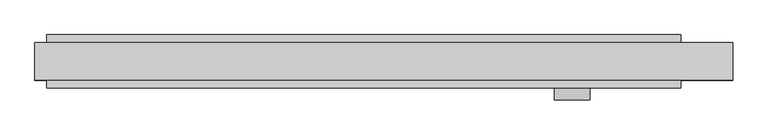
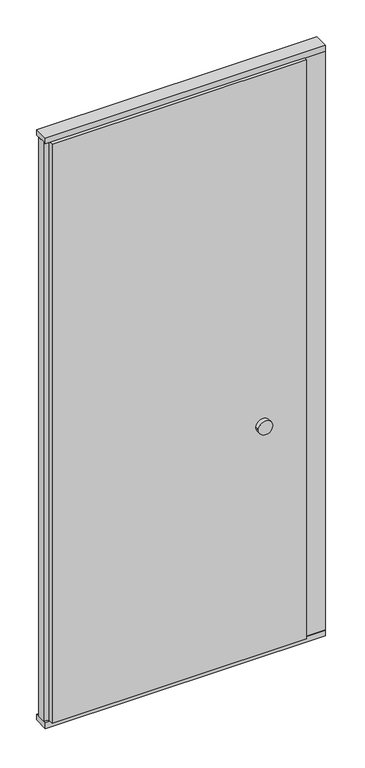
"""IFC4 building model written with IfcOpenShell, lengths in millimetres: plate geometry."""

import ifcopenshell
import ifcopenshell.guid

model = None  # the IFC model being written
_history = None  # IfcOwnerHistory: only IFC2X3 demands one
_inside = {}  # id of a spatial element -> (the spatial element, [elements in it])
_under = {}  # id of a project, library or spatial element -> (it, [spatial elements below it])
_declared = {}  # id of a project -> (the project, [libraries it declares])
_typed = {}  # id of a type object -> (the type object, [elements of that type])
_made_of = {}  # id of a material, layer set ... -> (it, [elements and type objects made of it])


def new_model(schema):
    """Start an empty IFC model of exactly this schema.

    Asked for "IFC4X3", IfcOpenShell would pick the latest addendum, in which some entities
    have other attributes; the version numbers below select the first issue.
    IFC2X3 requires an IfcOwnerHistory on every rooted entity: one is made here for all.
    """
    global model, _history
    if schema == "IFC4X3":
        model = ifcopenshell.file(schema_version=(4, 3, 0, 0))
    else:
        model = ifcopenshell.file(schema=schema)
    _inside.clear()
    _under.clear()
    _declared.clear()
    _typed.clear()
    _made_of.clear()
    _history = None
    if model.schema == "IFC2X3":
        org = make("IfcOrganization", Name="unknown")
        user = make(
            "IfcPersonAndOrganization",
            ThePerson=make("IfcPerson", FamilyName="unknown"),
            TheOrganization=org,
        )
        app = make(
            "IfcApplication",
            ApplicationDeveloper=org,
            Version="unknown",
            ApplicationFullName="unknown",
            ApplicationIdentifier="unknown",
        )
        _history = make(
            "IfcOwnerHistory",
            OwningUser=user,
            OwningApplication=app,
            ChangeAction="ADDED",
            CreationDate=0,
        )
    return model


def make(cls, **values):
    """One entity of the class cls with the attributes given. An attribute that is None is left unset."""
    return model.create_entity(
        cls, **{name: value for name, value in values.items() if value is not None}
    )


def rooted(cls, **values):
    """An entity with a GlobalId (a new one), such as an element, a storey or a relation."""
    return make(cls, GlobalId=ifcopenshell.guid.new(), OwnerHistory=_history, **values)


def si_unit(unit_type, name, prefix=None):
    """IfcSIUnit, for example si_unit("LENGTHUNIT", "METRE", prefix="MILLI")."""
    return make("IfcSIUnit", UnitType=unit_type, Prefix=prefix, Name=name)


def assignment(units):
    """IfcUnitAssignment: the units of a project."""
    return None if units is None else make("IfcUnitAssignment", Units=units)


def point(xyz):
    """IfcCartesianPoint."""
    return None if xyz is None else make("IfcCartesianPoint", Coordinates=xyz)


def direction(xyz):
    """IfcDirection."""
    return None if xyz is None else make("IfcDirection", DirectionRatios=xyz)


def frame(location, z_axis=None, x_axis=None):
    """IfcAxis2Placement3D, a coordinate frame: its origin and axes. An axis left out is left unset."""
    return make(
        "IfcAxis2Placement3D",
        Location=point(location),
        Axis=direction(z_axis),
        RefDirection=direction(x_axis),
    )


def frame_2d(location, x_axis=None):
    """IfcAxis2Placement2D, a coordinate frame in the plane: its origin and x axis."""
    return make(
        "IfcAxis2Placement2D", Location=point(location), RefDirection=direction(x_axis)
    )


def origin():
    """The frame at (0, 0, 0) with its axes left unset."""
    return frame((0.0, 0.0, 0.0))


def origin_with_axes():
    """The frame at (0, 0, 0) with the z axis (0, 0, 1) and the x axis (1, 0, 0) written out."""
    return frame((0.0, 0.0, 0.0), z_axis=(0.0, 0.0, 1.0), x_axis=(1.0, 0.0, 0.0))


def place(relative_to, where):
    """IfcLocalPlacement: puts the frame where relative to a parent placement (None: the world)."""
    return make(
        "IfcLocalPlacement", PlacementRelTo=relative_to, RelativePlacement=where
    )


def context(
    kind, dimensions, precision=None, world=None, true_north=None, identifier=None
):
    """IfcGeometricRepresentationContext, for example the 3D "Model" context."""
    return make(
        "IfcGeometricRepresentationContext",
        ContextIdentifier=identifier,
        ContextType=kind,
        CoordinateSpaceDimension=dimensions,
        Precision=precision,
        WorldCoordinateSystem=world,
        TrueNorth=true_north,
    )


def project(units=None, contexts=None):
    """IfcProject with its units and contexts."""
    return rooted(
        "IfcProject",
        Name="project",
        RepresentationContexts=contexts,
        UnitsInContext=assignment(units),
    )


def spatial(cls, under=None, at=None, **own):
    """A site, building, storey or space (cls), placed at a placement, below another one or the project."""
    s = rooted(cls, ObjectPlacement=at, **own)
    if under is not None:
        _under.setdefault(under.id(), (under, []))[1].append(s)
    return s


def polyline(points):
    """IfcPolyline through the points."""
    return make("IfcPolyline", Points=[point(p) for p in points])


def circle_curve(where, radius):
    """IfcCircle in the frame where."""
    return make("IfcCircle", Position=where, Radius=radius)


def trimmed(basis, trim1, trim2, sense, master):
    """IfcTrimmedCurve: the piece of a basis curve between two trims."""
    return make(
        "IfcTrimmedCurve",
        BasisCurve=basis,
        Trim1=trim1,
        Trim2=trim2,
        SenseAgreement=sense,
        MasterRepresentation=master,
    )


def segment(curve, same_sense, transition):
    """IfcCompositeCurveSegment."""
    return make(
        "IfcCompositeCurveSegment",
        Transition=transition,
        SameSense=same_sense,
        ParentCurve=curve,
    )


def composite_curve(segments, self_intersect=None):
    """IfcCompositeCurve: segments joined end to end."""
    return make("IfcCompositeCurve", Segments=segments, SelfIntersect=self_intersect)


def outline(outer, holes=None, kind="AREA"):
    """IfcArbitraryClosedProfileDef: a profile drawn as a closed curve; with holes, ...WithVoids."""
    if holes is None:
        return make("IfcArbitraryClosedProfileDef", ProfileType=kind, OuterCurve=outer)
    return make(
        "IfcArbitraryProfileDefWithVoids",
        ProfileType=kind,
        OuterCurve=outer,
        InnerCurves=holes,
    )


def extrude(swept, where, along, depth):
    """IfcExtrudedAreaSolid: the profile swept, set in the frame where, extruded along a direction by depth."""
    return make(
        "IfcExtrudedAreaSolid",
        SweptArea=swept,
        Position=where,
        ExtrudedDirection=direction(along),
        Depth=depth,
    )


def shape(context_of_items, identifier, shape_type, items):
    """IfcShapeRepresentation: the items that make up one representation, for example the "Body"."""
    return make(
        "IfcShapeRepresentation",
        ContextOfItems=context_of_items,
        RepresentationIdentifier=identifier,
        RepresentationType=shape_type,
        Items=items,
    )


def source(mapping_origin, context_of_items, identifier, shape_type, items):
    """IfcRepresentationMap: a shape defined once, which mapped items show again and again."""
    return make(
        "IfcRepresentationMap",
        MappingOrigin=mapping_origin,
        MappedRepresentation=shape(context_of_items, identifier, shape_type, items),
    )


def transform(
    local_origin,
    x_axis=None,
    y_axis=None,
    z_axis=None,
    scale=None,
    scale2=None,
    scale3=None,
    uniform=True,
):
    """IfcCartesianTransformationOperator3D, or its non-uniform kind. x_axis, y_axis, z_axis: its Axis1, 2, 3."""
    if uniform:
        return make(
            "IfcCartesianTransformationOperator3D",
            Axis1=direction(x_axis),
            Axis2=direction(y_axis),
            LocalOrigin=point(local_origin),
            Scale=scale,
            Axis3=direction(z_axis),
        )
    return make(
        "IfcCartesianTransformationOperator3DnonUniform",
        Axis1=direction(x_axis),
        Axis2=direction(y_axis),
        LocalOrigin=point(local_origin),
        Scale=scale,
        Axis3=direction(z_axis),
        Scale2=scale2,
        Scale3=scale3,
    )


def mapped(mapping_source, mapping_target):
    """IfcMappedItem: shows the shape of a source again, moved by a transform."""
    return make(
        "IfcMappedItem", MappingSource=mapping_source, MappingTarget=mapping_target
    )


def made_of(thing, what):
    """Note that an element or type object is made of a material, layer set ...; save() writes the relation."""
    if what is not None:
        _made_of.setdefault(what.id(), (what, []))[1].append(thing)
    return thing


def element(
    cls,
    number,
    at=None,
    inside=None,
    cuts=None,
    type_object=None,
    material=None,
    context=None,
    identifier="Body",
    shape_type=None,
    held_by="IfcProductDefinitionShape",
    body=None,
    shapes=None,
    **own,
):
    """One element of the class cls, such as IfcWall. Its Tag is "e" and its number.

    at: its placement. inside: the storey or other place that contains it. cuts: it is an
    opening in that element (IfcRelVoidsElement). A single representation is given by context,
    identifier, shape_type and body (its items); several are given by shapes. held_by: the class
    of the entity that holds the representations. save() writes the other relations.
    """
    e = rooted(cls, Tag="e%d" % number, ObjectPlacement=at, **own)
    if body is not None:
        shapes = [shape(context, identifier, shape_type, body)]
    if shapes is not None:
        e.Representation = make(held_by, Representations=shapes)
    if inside is not None:
        _inside.setdefault(inside.id(), (inside, []))[1].append(e)
    if cuts is not None:
        rooted(
            "IfcRelVoidsElement", RelatingBuildingElement=cuts, RelatedOpeningElement=e
        )
    if type_object is not None:
        _typed.setdefault(type_object.id(), (type_object, []))[1].append(e)
    return made_of(e, material)


def aggregate(whole, parts):
    """IfcRelAggregates: a whole, such as a stair, and the parts it consists of."""
    return rooted("IfcRelAggregates", RelatingObject=whole, RelatedObjects=parts)


def save(model, path):
    """Write the relations noted so far, then the file.

    IfcRelAggregates (storeys below a building ...), IfcRelContainedInSpatialStructure (elements
    in a storey), IfcRelDefinesByType, IfcRelAssociatesMaterial and IfcRelDeclares: one each for
    every whole, place, type object, material and project.
    """
    for whole, parts in _under.values():
        aggregate(whole, parts)
    for where, things in _inside.values():
        rooted(
            "IfcRelContainedInSpatialStructure",
            RelatedElements=things,
            RelatingStructure=where,
        )
    for kind, things in _typed.values():
        rooted("IfcRelDefinesByType", RelatedObjects=things, RelatingType=kind)
    for what, things in _made_of.values():
        rooted("IfcRelAssociatesMaterial", RelatedObjects=things, RelatingMaterial=what)
    for by, libraries in _declared.values():
        rooted("IfcRelDeclares", RelatingContext=by, RelatedDefinitions=libraries)
    model.write(path)


def plate_3d8afee3(model_context):
    return source(origin(), model_context, "Body", "SweptSolid", [
        extrude(outline(polyline([(502.0507813, 45.0), (502.0507813, 30.5), (590.0, 30.5), (590.0, -30.5), (502.0507813, -30.5), (502.0507813, -45.0), (-570.0, -45.0), (-570.0, -22.9993165), (-590.0, -17.6401049), (-590.0, 17.6401049), (-570.0, 22.9993165), (-570.0, 45.0), (502.0507813, 45.0)])), frame((0.0, 0.0, 25.0), z_axis=(0.0, 0.0, 1.0), x_axis=(1.0, 0.0, 0.0)), (0.0, 0.0, 1.0), 2577.0),
        extrude(outline(polyline([(-590.0, -32.0), (-590.0, 32.0), (590.0, 32.0), (590.0, -32.0), (-590.0, -32.0)])), origin_with_axes(), (0.0, 0.0, 1.0), 25.0),
        extrude(outline(polyline([(-590.0, -32.0), (-590.0, 32.0), (590.0, 32.0), (590.0, -32.0), (-590.0, -32.0)])), frame((0.0, 0.0, 2602.0), z_axis=(0.0, 0.0, 1.0), x_axis=(1.0, 0.0, 0.0)), (0.0, 0.0, 1.0), 25.0),
        extrude(outline(composite_curve([segment(trimmed(circle_curve(frame_2d((1040.0, 318.9738813)), 30.0), [point((1040.0, 348.9738813))], [point((1040.0, 288.9738813))], False, "CARTESIAN"), True, "CONTINUOUS"), segment(trimmed(circle_curve(frame_2d((1040.0, 318.9738813)), 30.0), [point((1040.0, 288.9738813))], [point((1040.0, 348.9738813))], False, "CARTESIAN"), True, "CONTINUOUS")], self_intersect=False)), frame((0.0, -65.0, 0.0), z_axis=(0.0, 1.0, 0.0), x_axis=(0.0, 0.0, 1.0)), (0.0, 0.0, 1.0), 20.0),
    ])


if __name__ == "__main__":
    model = new_model("IFC4")
    model_context = context("Model", 3, world=origin())
    ifc_project = project(units=[si_unit("LENGTHUNIT", "METRE", prefix="MILLI")], contexts=[model_context])
    site = spatial("IfcSite", under=ifc_project)
    building = spatial("IfcBuilding", under=site)
    placement = place(None, origin())
    plate_shape = plate_3d8afee3(model_context)
    element("IfcPlate", 1, at=placement, inside=building, context=model_context, shape_type="MappedRepresentation", body=[
        mapped(plate_shape, transform((0.0, 0.0, 0.0), x_axis=(1.0, 0.0, 0.0), y_axis=(0.0, 1.0, 0.0), z_axis=(0.0, 0.0, 1.0))),
    ])
    save(model, "model.ifc")
